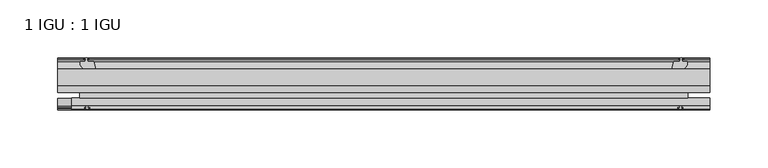
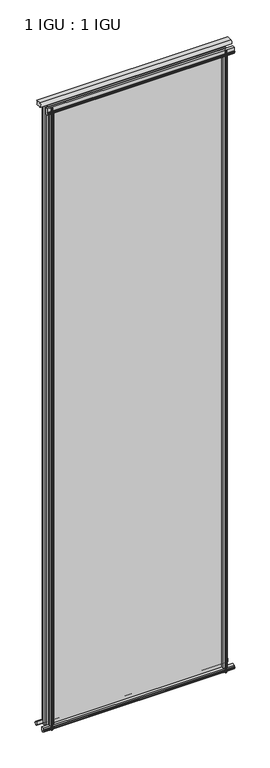
"""IFC4 building model written with IfcOpenShell, lengths in millimetres: plate geometry, 1 IGU : 1 IGU."""

import ifcopenshell
import ifcopenshell.guid

model = None  # the IFC model being written
_history = None  # IfcOwnerHistory: only IFC2X3 demands one
_inside = {}  # id of a spatial element -> (the spatial element, [elements in it])
_under = {}  # id of a project, library or spatial element -> (it, [spatial elements below it])
_declared = {}  # id of a project -> (the project, [libraries it declares])
_typed = {}  # id of a type object -> (the type object, [elements of that type])
_made_of = {}  # id of a material, layer set ... -> (it, [elements and type objects made of it])


def new_model(schema):
    """Start an empty IFC model of exactly this schema.

    Asked for "IFC4X3", IfcOpenShell would pick the latest addendum, in which some entities
    have other attributes; the version numbers below select the first issue.
    IFC2X3 requires an IfcOwnerHistory on every rooted entity: one is made here for all.
    """
    global model, _history
    if schema == "IFC4X3":
        model = ifcopenshell.file(schema_version=(4, 3, 0, 0))
    else:
        model = ifcopenshell.file(schema=schema)
    _inside.clear()
    _under.clear()
    _declared.clear()
    _typed.clear()
    _made_of.clear()
    _history = None
    if model.schema == "IFC2X3":
        org = make("IfcOrganization", Name="unknown")
        user = make(
            "IfcPersonAndOrganization",
            ThePerson=make("IfcPerson", FamilyName="unknown"),
            TheOrganization=org,
        )
        app = make(
            "IfcApplication",
            ApplicationDeveloper=org,
            Version="unknown",
            ApplicationFullName="unknown",
            ApplicationIdentifier="unknown",
        )
        _history = make(
            "IfcOwnerHistory",
            OwningUser=user,
            OwningApplication=app,
            ChangeAction="ADDED",
            CreationDate=0,
        )
    return model


def make(cls, **values):
    """One entity of the class cls with the attributes given. An attribute that is None is left unset."""
    return model.create_entity(
        cls, **{name: value for name, value in values.items() if value is not None}
    )


def rooted(cls, **values):
    """An entity with a GlobalId (a new one), such as an element, a storey or a relation."""
    return make(cls, GlobalId=ifcopenshell.guid.new(), OwnerHistory=_history, **values)


def si_unit(unit_type, name, prefix=None):
    """IfcSIUnit, for example si_unit("LENGTHUNIT", "METRE", prefix="MILLI")."""
    return make("IfcSIUnit", UnitType=unit_type, Prefix=prefix, Name=name)


def assignment(units):
    """IfcUnitAssignment: the units of a project."""
    return None if units is None else make("IfcUnitAssignment", Units=units)


def point(xyz):
    """IfcCartesianPoint."""
    return None if xyz is None else make("IfcCartesianPoint", Coordinates=xyz)


def direction(xyz):
    """IfcDirection."""
    return None if xyz is None else make("IfcDirection", DirectionRatios=xyz)


def frame(location, z_axis=None, x_axis=None):
    """IfcAxis2Placement3D, a coordinate frame: its origin and axes. An axis left out is left unset."""
    return make(
        "IfcAxis2Placement3D",
        Location=point(location),
        Axis=direction(z_axis),
        RefDirection=direction(x_axis),
    )


def frame_2d(location, x_axis=None):
    """IfcAxis2Placement2D, a coordinate frame in the plane: its origin and x axis."""
    return make(
        "IfcAxis2Placement2D", Location=point(location), RefDirection=direction(x_axis)
    )


def origin():
    """The frame at (0, 0, 0) with its axes left unset."""
    return frame((0.0, 0.0, 0.0))


def place(relative_to, where):
    """IfcLocalPlacement: puts the frame where relative to a parent placement (None: the world)."""
    return make(
        "IfcLocalPlacement", PlacementRelTo=relative_to, RelativePlacement=where
    )


def context(
    kind, dimensions, precision=None, world=None, true_north=None, identifier=None
):
    """IfcGeometricRepresentationContext, for example the 3D "Model" context."""
    return make(
        "IfcGeometricRepresentationContext",
        ContextIdentifier=identifier,
        ContextType=kind,
        CoordinateSpaceDimension=dimensions,
        Precision=precision,
        WorldCoordinateSystem=world,
        TrueNorth=true_north,
    )


def project(units=None, contexts=None):
    """IfcProject with its units and contexts."""
    return rooted(
        "IfcProject",
        Name="project",
        RepresentationContexts=contexts,
        UnitsInContext=assignment(units),
    )


def spatial(cls, under=None, at=None, **own):
    """A site, building, storey or space (cls), placed at a placement, below another one or the project."""
    s = rooted(cls, ObjectPlacement=at, **own)
    if under is not None:
        _under.setdefault(under.id(), (under, []))[1].append(s)
    return s


def polyline(points):
    """IfcPolyline through the points."""
    return make("IfcPolyline", Points=[point(p) for p in points])


def circle_curve(where, radius):
    """IfcCircle in the frame where."""
    return make("IfcCircle", Position=where, Radius=radius)


def trimmed(basis, trim1, trim2, sense, master):
    """IfcTrimmedCurve: the piece of a basis curve between two trims."""
    return make(
        "IfcTrimmedCurve",
        BasisCurve=basis,
        Trim1=trim1,
        Trim2=trim2,
        SenseAgreement=sense,
        MasterRepresentation=master,
    )


def segment(curve, same_sense, transition):
    """IfcCompositeCurveSegment."""
    return make(
        "IfcCompositeCurveSegment",
        Transition=transition,
        SameSense=same_sense,
        ParentCurve=curve,
    )


def composite_curve(segments, self_intersect=None):
    """IfcCompositeCurve: segments joined end to end."""
    return make("IfcCompositeCurve", Segments=segments, SelfIntersect=self_intersect)


def outline(outer, holes=None, kind="AREA"):
    """IfcArbitraryClosedProfileDef: a profile drawn as a closed curve; with holes, ...WithVoids."""
    if holes is None:
        return make("IfcArbitraryClosedProfileDef", ProfileType=kind, OuterCurve=outer)
    return make(
        "IfcArbitraryProfileDefWithVoids",
        ProfileType=kind,
        OuterCurve=outer,
        InnerCurves=holes,
    )


def extrude(swept, where, along, depth):
    """IfcExtrudedAreaSolid: the profile swept, set in the frame where, extruded along a direction by depth."""
    return make(
        "IfcExtrudedAreaSolid",
        SweptArea=swept,
        Position=where,
        ExtrudedDirection=direction(along),
        Depth=depth,
    )


def shape(context_of_items, identifier, shape_type, items):
    """IfcShapeRepresentation: the items that make up one representation, for example the "Body"."""
    return make(
        "IfcShapeRepresentation",
        ContextOfItems=context_of_items,
        RepresentationIdentifier=identifier,
        RepresentationType=shape_type,
        Items=items,
    )


def source(mapping_origin, context_of_items, identifier, shape_type, items):
    """IfcRepresentationMap: a shape defined once, which mapped items show again and again."""
    return make(
        "IfcRepresentationMap",
        MappingOrigin=mapping_origin,
        MappedRepresentation=shape(context_of_items, identifier, shape_type, items),
    )


def transform(
    local_origin,
    x_axis=None,
    y_axis=None,
    z_axis=None,
    scale=None,
    scale2=None,
    scale3=None,
    uniform=True,
):
    """IfcCartesianTransformationOperator3D, or its non-uniform kind. x_axis, y_axis, z_axis: its Axis1, 2, 3."""
    if uniform:
        return make(
            "IfcCartesianTransformationOperator3D",
            Axis1=direction(x_axis),
            Axis2=direction(y_axis),
            LocalOrigin=point(local_origin),
            Scale=scale,
            Axis3=direction(z_axis),
        )
    return make(
        "IfcCartesianTransformationOperator3DnonUniform",
        Axis1=direction(x_axis),
        Axis2=direction(y_axis),
        LocalOrigin=point(local_origin),
        Scale=scale,
        Axis3=direction(z_axis),
        Scale2=scale2,
        Scale3=scale3,
    )


def mapped(mapping_source, mapping_target):
    """IfcMappedItem: shows the shape of a source again, moved by a transform."""
    return make(
        "IfcMappedItem", MappingSource=mapping_source, MappingTarget=mapping_target
    )


def made_of(thing, what):
    """Note that an element or type object is made of a material, layer set ...; save() writes the relation."""
    if what is not None:
        _made_of.setdefault(what.id(), (what, []))[1].append(thing)
    return thing


def element(
    cls,
    number,
    at=None,
    inside=None,
    cuts=None,
    type_object=None,
    material=None,
    context=None,
    identifier="Body",
    shape_type=None,
    held_by="IfcProductDefinitionShape",
    body=None,
    shapes=None,
    **own,
):
    """One element of the class cls, such as IfcWall. Its Tag is "e" and its number.

    at: its placement. inside: the storey or other place that contains it. cuts: it is an
    opening in that element (IfcRelVoidsElement). A single representation is given by context,
    identifier, shape_type and body (its items); several are given by shapes. held_by: the class
    of the entity that holds the representations. save() writes the other relations.
    """
    e = rooted(cls, Tag="e%d" % number, ObjectPlacement=at, **own)
    if body is not None:
        shapes = [shape(context, identifier, shape_type, body)]
    if shapes is not None:
        e.Representation = make(held_by, Representations=shapes)
    if inside is not None:
        _inside.setdefault(inside.id(), (inside, []))[1].append(e)
    if cuts is not None:
        rooted(
            "IfcRelVoidsElement", RelatingBuildingElement=cuts, RelatedOpeningElement=e
        )
    if type_object is not None:
        _typed.setdefault(type_object.id(), (type_object, []))[1].append(e)
    return made_of(e, material)


def aggregate(whole, parts):
    """IfcRelAggregates: a whole, such as a stair, and the parts it consists of."""
    return rooted("IfcRelAggregates", RelatingObject=whole, RelatedObjects=parts)


def save(model, path):
    """Write the relations noted so far, then the file.

    IfcRelAggregates (storeys below a building ...), IfcRelContainedInSpatialStructure (elements
    in a storey), IfcRelDefinesByType, IfcRelAssociatesMaterial and IfcRelDeclares: one each for
    every whole, place, type object, material and project.
    """
    for whole, parts in _under.values():
        aggregate(whole, parts)
    for where, things in _inside.values():
        rooted(
            "IfcRelContainedInSpatialStructure",
            RelatedElements=things,
            RelatingStructure=where,
        )
    for kind, things in _typed.values():
        rooted("IfcRelDefinesByType", RelatedObjects=things, RelatingType=kind)
    for what, things in _made_of.values():
        rooted("IfcRelAssociatesMaterial", RelatedObjects=things, RelatingMaterial=what)
    for by, libraries in _declared.values():
        rooted("IfcRelDeclares", RelatingContext=by, RelatedDefinitions=libraries)
    model.write(path)


def plate_1_igu_1_igu_ff6fff31(model_context):
    return source(origin(), model_context, "Body", "SweptSolid", [
        extrude(outline(polyline([(-263.5250001, -38.6468937), (263.5250001, -38.6468937), (263.5250001, -44.9460938), (-263.5250001, -44.9460938), (-263.5250001, -38.6468937)])), frame((0.0, 0.0, -12.7), z_axis=(0.0, 0.0, 1.0), x_axis=(1.0, 0.0, 0.0)), (0.0, 0.0, 1.0), 1944.7650858),
        extrude(outline(polyline([(-263.5250001, -19.5460937), (263.5250001, -19.5460937), (263.5250001, -25.8960938), (-263.5250001, -25.8960938), (-263.5250001, -19.5460937)])), frame((0.0, 0.0, -12.7), z_axis=(0.0, 0.0, 1.0), x_axis=(1.0, 0.0, 0.0)), (0.0, 0.0, 1.0), 1944.7650858),
        extrude(outline(composite_curve([segment(trimmed(circle_curve(frame_2d((-9.2245666, 1938.378665)), 12.1106873), [point((-19.5460937, 1944.7138702))], [point((-19.5460937, 1932.0434598))], True, "CARTESIAN"), True, "CONTINUOUS"), segment(polyline([(-19.5460937, 1932.0434598), (-33.8757421, 1932.0434598)]), True, "CONTINUOUS"), segment(trimmed(circle_curve(frame_2d((-33.8757421, 1938.378665)), 6.3352052), [point((-33.8757421, 1932.0434598))], [point((-33.8757421, 1944.7138702))], False, "CARTESIAN"), True, "CONTINUOUS"), segment(polyline([(-33.8757421, 1944.7138702), (-19.5460937, 1944.7138702)]), True, "CONTINUOUS")], self_intersect=False)), frame((-282.5750001, 0.0, 0.0), z_axis=(1.0, 0.0, 0.0), x_axis=(0.0, 1.0, 0.0)), (0.0, 0.0, 1.0), 565.1500002),
        extrude(outline(polyline([(-44.9460937, 1.7177181), (-44.9460937, -9.1036578), (-48.3496937, -11.938), (-51.2960937, -11.938), (-51.2960937, -7.493), (-53.6762907, -7.112), (-53.2163575, -8.5275291), (-54.0175717, -8.5275291), (-54.7250937, -6.35), (-54.0175717, -4.1724709), (-53.2163575, -4.1724709), (-53.6762907, -5.588), (-51.2960937, -5.207), (-51.2960937, 0.0), (-44.9460937, 1.7177181)])), frame((-282.5750001, 0.0, 0.0), z_axis=(1.0, 0.0, 0.0), x_axis=(0.0, 1.0, 0.0)), (0.0, 0.0, 1.0), 565.1500002),
        extrude(outline(polyline([(-13.1960937, -12.4587), (-16.1424937, -12.4587), (-19.5460937, -9.6243578), (-19.5460937, 1.1970181), (-13.1960937, -0.5207), (-13.1960937, -5.7277), (-10.8158968, -6.1087), (-11.27583, -4.6931709), (-10.4746158, -4.6931709), (-9.7670937, -6.8707), (-10.4746158, -9.0482291), (-11.27583, -9.0482291), (-10.8158968, -7.6327), (-13.1960937, -8.0137), (-13.1960937, -12.4587)])), frame((-282.5750001, 0.0, 0.0), z_axis=(1.0, 0.0, 0.0), x_axis=(0.0, 1.0, 0.0)), (0.0, 0.0, 1.0), 565.1500002),
        extrude(outline(composite_curve([segment(polyline([(-44.9380025, 1912.9271835), (-51.2960937, 1912.9271835), (-51.2960937, 1917.7531835), (-54.1955564, 1917.7531835), (-54.8194621, 1918.7304759)]), True, "CONTINUOUS"), segment(trimmed(circle_curve(frame_2d((-53.9630937, 1919.2771835)), 1.016), [point((-54.8194621, 1918.7304759))], [point((-54.8194621, 1919.8238911))], False, "CARTESIAN"), True, "CONTINUOUS"), segment(polyline([(-54.8194621, 1919.8238911), (-54.1955564, 1920.8011835), (-51.2878033, 1920.8011835), (-51.2916866, 1931.965867), (-44.9380025, 1931.965867), (-44.9380025, 1912.9271835)]), True, "CONTINUOUS")], self_intersect=False)), frame((-270.3172939, 0.0, 0.0), z_axis=(1.0, 0.0, 0.0), x_axis=(0.0, 1.0, 0.0)), (0.0, 0.0, 1.0), 552.892294),
        extrude(outline(polyline([(249.627982, -19.5460938), (251.3457001, -13.1960938), (256.5527001, -13.1960938), (256.9337001, -10.8158968), (255.518171, -11.27583), (255.518171, -10.4746158), (257.6957001, -9.7670938), (259.8732291, -10.4746158), (259.8732291, -11.27583), (258.4577001, -10.8158968), (258.8387001, -13.1960938), (263.2837001, -13.1960938), (263.2837001, -16.1424938), (260.4493579, -19.5460938), (249.627982, -19.5460938)])), frame((0.0, 0.0, -12.7), z_axis=(0.0, 0.0, 1.0), x_axis=(1.0, 0.0, 0.0)), (0.0, 0.0, 1.0), 1944.7650859),
        extrude(outline(polyline([(249.107282, -44.9460938), (259.9286579, -44.9460938), (262.7630001, -48.3496938), (262.7630001, -51.2960938), (258.3180001, -51.2960938), (257.9370001, -53.6762907), (259.3525291, -53.2163575), (259.3525291, -54.0175717), (257.1750001, -54.7250938), (254.997471, -54.0175717), (254.997471, -53.2163575), (256.4130001, -53.6762907), (256.0320001, -51.2960938), (250.8250001, -51.2960938), (249.107282, -44.9460938)])), frame((0.0, 0.0, -12.7), z_axis=(0.0, 0.0, 1.0), x_axis=(1.0, 0.0, 0.0)), (0.0, 0.0, 1.0), 1944.7650859),
        extrude(outline(polyline([(-257.6957001, -9.7670937), (-255.518171, -10.4746158), (-255.518171, -11.27583), (-256.9337001, -10.8158968), (-256.5527001, -13.1960937), (-251.3457001, -13.1960937), (-249.627982, -19.5460937), (-260.4493579, -19.5460937), (-263.2837001, -16.1424937), (-263.2837001, -13.1960937), (-258.8387001, -13.1960937), (-258.4577001, -10.8158968), (-259.8732291, -11.27583), (-259.8732291, -10.4746158), (-257.6957001, -9.7670937)])), frame((0.0, 0.0, -12.7), z_axis=(0.0, 0.0, 1.0), x_axis=(1.0, 0.0, 0.0)), (0.0, 0.0, 1.0), 1944.7650859),
        extrude(outline(polyline([(-262.7630001, -48.3496937), (-259.9286579, -44.9460937), (-249.107282, -44.9460937), (-250.8250001, -51.2960937), (-256.0320001, -51.2960937), (-256.4130001, -53.6762907), (-254.997471, -53.2163575), (-254.997471, -54.0175717), (-257.1750001, -54.7250937), (-259.3525291, -54.0175717), (-259.3525291, -53.2163575), (-257.9370001, -53.6762907), (-258.3180001, -51.2960937), (-262.7630001, -51.2960937), (-262.7630001, -48.3496937)])), frame((0.0, 0.0, -12.7), z_axis=(0.0, 0.0, 1.0), x_axis=(1.0, 0.0, 0.0)), (0.0, 0.0, 1.0), 1944.7650859),
    ])


if __name__ == "__main__":
    model = new_model("IFC4")
    model_context = context("Model", 3, world=origin())
    ifc_project = project(units=[si_unit("LENGTHUNIT", "METRE", prefix="MILLI")], contexts=[model_context])
    site = spatial("IfcSite", under=ifc_project)
    building = spatial("IfcBuilding", under=site)
    placement = place(None, origin())
    plate_1_igu_1_igu_shape = plate_1_igu_1_igu_ff6fff31(model_context)
    element("IfcPlate", 1, ObjectType="1 IGU : 1 IGU", at=placement, inside=building, context=model_context, shape_type="MappedRepresentation", body=[
        mapped(plate_1_igu_1_igu_shape, transform((0.0, 0.0, 0.0), x_axis=(1.0, 0.0, 0.0), y_axis=(0.0, 1.0, 0.0), z_axis=(0.0, 0.0, 1.0))),
    ])
    save(model, "model.ifc")
